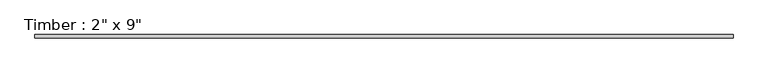
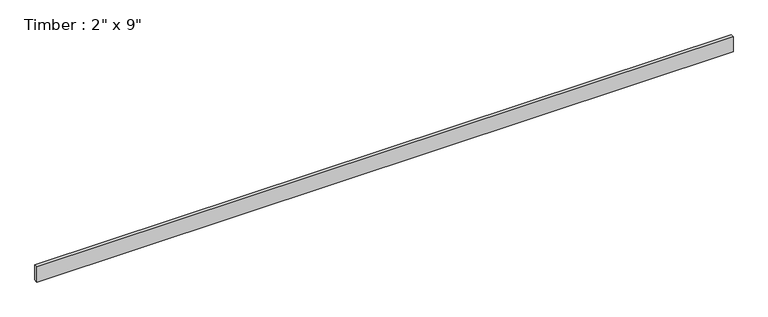
"""IFC4 building model written with IfcOpenShell, lengths in millimetres: beam geometry."""

from ifc_helpers import new_model, si_unit, frame, origin, place, context, project, spatial, polyline, outline, extrude, source, transform, mapped, element, save


def beam_c711c8e5(model_context):
    return source(origin(), model_context, "Body", "SweptSolid", [
        extrude(outline(polyline([(5004.7372658, 25.4), (5004.7372658, -25.4), (-5004.7372658, -25.4), (-5004.7372658, 25.4), (5004.7372658, 25.4)])), frame((0.0, 0.0, -114.3), z_axis=(0.0, 0.0, 1.0), x_axis=(1.0, 0.0, 0.0)), (0.0, 0.0, 1.0), 228.6),
    ])


if __name__ == "__main__":
    model = new_model("IFC4")
    model_context = context("Model", 3, world=origin())
    ifc_project = project(units=[si_unit("LENGTHUNIT", "METRE", prefix="MILLI")], contexts=[model_context])
    site = spatial("IfcSite", under=ifc_project)
    building = spatial("IfcBuilding", under=site)
    placement = place(None, origin())
    beam_shape = beam_c711c8e5(model_context)
    element("IfcBeam", 1, ObjectType="Timber : 2\" x 9\"", at=placement, inside=building, context=model_context, shape_type="MappedRepresentation", body=[
        mapped(beam_shape, transform((0.0, 0.0, 0.0), x_axis=(1.0, 0.0, 0.0), y_axis=(0.0, 1.0, 0.0), z_axis=(0.0, 0.0, 1.0))),
    ])
    save(model, "model.ifc")
